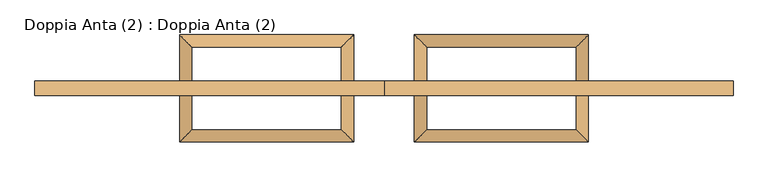
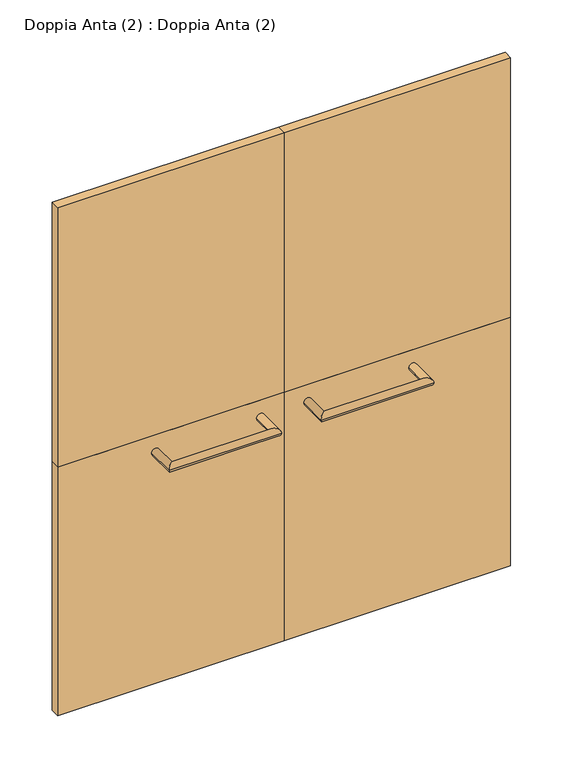
"""IFC4 building model written with IfcOpenShell, lengths in millimetres: door geometry, Doppia Anta (2) : Doppia Anta (2)."""

import ifcopenshell
import ifcopenshell.guid

model = None  # the IFC model being written
_history = None  # IfcOwnerHistory: only IFC2X3 demands one
_inside = {}  # id of a spatial element -> (the spatial element, [elements in it])
_under = {}  # id of a project, library or spatial element -> (it, [spatial elements below it])
_declared = {}  # id of a project -> (the project, [libraries it declares])
_typed = {}  # id of a type object -> (the type object, [elements of that type])
_made_of = {}  # id of a material, layer set ... -> (it, [elements and type objects made of it])


def new_model(schema):
    """Start an empty IFC model of exactly this schema.

    Asked for "IFC4X3", IfcOpenShell would pick the latest addendum, in which some entities
    have other attributes; the version numbers below select the first issue.
    IFC2X3 requires an IfcOwnerHistory on every rooted entity: one is made here for all.
    """
    global model, _history
    if schema == "IFC4X3":
        model = ifcopenshell.file(schema_version=(4, 3, 0, 0))
    else:
        model = ifcopenshell.file(schema=schema)
    _inside.clear()
    _under.clear()
    _declared.clear()
    _typed.clear()
    _made_of.clear()
    _history = None
    if model.schema == "IFC2X3":
        org = make("IfcOrganization", Name="unknown")
        user = make(
            "IfcPersonAndOrganization",
            ThePerson=make("IfcPerson", FamilyName="unknown"),
            TheOrganization=org,
        )
        app = make(
            "IfcApplication",
            ApplicationDeveloper=org,
            Version="unknown",
            ApplicationFullName="unknown",
            ApplicationIdentifier="unknown",
        )
        _history = make(
            "IfcOwnerHistory",
            OwningUser=user,
            OwningApplication=app,
            ChangeAction="ADDED",
            CreationDate=0,
        )
    return model


def make(cls, **values):
    """One entity of the class cls with the attributes given. An attribute that is None is left unset."""
    return model.create_entity(
        cls, **{name: value for name, value in values.items() if value is not None}
    )


def rooted(cls, **values):
    """An entity with a GlobalId (a new one), such as an element, a storey or a relation."""
    return make(cls, GlobalId=ifcopenshell.guid.new(), OwnerHistory=_history, **values)


def si_unit(unit_type, name, prefix=None):
    """IfcSIUnit, for example si_unit("LENGTHUNIT", "METRE", prefix="MILLI")."""
    return make("IfcSIUnit", UnitType=unit_type, Prefix=prefix, Name=name)


def assignment(units):
    """IfcUnitAssignment: the units of a project."""
    return None if units is None else make("IfcUnitAssignment", Units=units)


def point(xyz):
    """IfcCartesianPoint."""
    return None if xyz is None else make("IfcCartesianPoint", Coordinates=xyz)


def direction(xyz):
    """IfcDirection."""
    return None if xyz is None else make("IfcDirection", DirectionRatios=xyz)


def frame(location, z_axis=None, x_axis=None):
    """IfcAxis2Placement3D, a coordinate frame: its origin and axes. An axis left out is left unset."""
    return make(
        "IfcAxis2Placement3D",
        Location=point(location),
        Axis=direction(z_axis),
        RefDirection=direction(x_axis),
    )


def origin():
    """The frame at (0, 0, 0) with its axes left unset."""
    return frame((0.0, 0.0, 0.0))


def origin_with_axes():
    """The frame at (0, 0, 0) with the z axis (0, 0, 1) and the x axis (1, 0, 0) written out."""
    return frame((0.0, 0.0, 0.0), z_axis=(0.0, 0.0, 1.0), x_axis=(1.0, 0.0, 0.0))


def place(relative_to, where):
    """IfcLocalPlacement: puts the frame where relative to a parent placement (None: the world)."""
    return make(
        "IfcLocalPlacement", PlacementRelTo=relative_to, RelativePlacement=where
    )


def context(
    kind, dimensions, precision=None, world=None, true_north=None, identifier=None
):
    """IfcGeometricRepresentationContext, for example the 3D "Model" context."""
    return make(
        "IfcGeometricRepresentationContext",
        ContextIdentifier=identifier,
        ContextType=kind,
        CoordinateSpaceDimension=dimensions,
        Precision=precision,
        WorldCoordinateSystem=world,
        TrueNorth=true_north,
    )


def project(units=None, contexts=None):
    """IfcProject with its units and contexts."""
    return rooted(
        "IfcProject",
        Name="project",
        RepresentationContexts=contexts,
        UnitsInContext=assignment(units),
    )


def spatial(cls, under=None, at=None, **own):
    """A site, building, storey or space (cls), placed at a placement, below another one or the project."""
    s = rooted(cls, ObjectPlacement=at, **own)
    if under is not None:
        _under.setdefault(under.id(), (under, []))[1].append(s)
    return s


def polyline(points):
    """IfcPolyline through the points."""
    return make("IfcPolyline", Points=[point(p) for p in points])


def circle_curve(where, radius):
    """IfcCircle in the frame where."""
    return make("IfcCircle", Position=where, Radius=radius)


def ellipse_curve(where, semi_axis1, semi_axis2):
    """IfcEllipse in the frame where."""
    return make(
        "IfcEllipse", Position=where, SemiAxis1=semi_axis1, SemiAxis2=semi_axis2
    )


def outline(outer, holes=None, kind="AREA"):
    """IfcArbitraryClosedProfileDef: a profile drawn as a closed curve; with holes, ...WithVoids."""
    if holes is None:
        return make("IfcArbitraryClosedProfileDef", ProfileType=kind, OuterCurve=outer)
    return make(
        "IfcArbitraryProfileDefWithVoids",
        ProfileType=kind,
        OuterCurve=outer,
        InnerCurves=holes,
    )


def extrude(swept, where, along, depth):
    """IfcExtrudedAreaSolid: the profile swept, set in the frame where, extruded along a direction by depth."""
    return make(
        "IfcExtrudedAreaSolid",
        SweptArea=swept,
        Position=where,
        ExtrudedDirection=direction(along),
        Depth=depth,
    )


def shape(context_of_items, identifier, shape_type, items):
    """IfcShapeRepresentation: the items that make up one representation, for example the "Body"."""
    return make(
        "IfcShapeRepresentation",
        ContextOfItems=context_of_items,
        RepresentationIdentifier=identifier,
        RepresentationType=shape_type,
        Items=items,
    )


def source(mapping_origin, context_of_items, identifier, shape_type, items):
    """IfcRepresentationMap: a shape defined once, which mapped items show again and again."""
    return make(
        "IfcRepresentationMap",
        MappingOrigin=mapping_origin,
        MappedRepresentation=shape(context_of_items, identifier, shape_type, items),
    )


def transform(
    local_origin,
    x_axis=None,
    y_axis=None,
    z_axis=None,
    scale=None,
    scale2=None,
    scale3=None,
    uniform=True,
):
    """IfcCartesianTransformationOperator3D, or its non-uniform kind. x_axis, y_axis, z_axis: its Axis1, 2, 3."""
    if uniform:
        return make(
            "IfcCartesianTransformationOperator3D",
            Axis1=direction(x_axis),
            Axis2=direction(y_axis),
            LocalOrigin=point(local_origin),
            Scale=scale,
            Axis3=direction(z_axis),
        )
    return make(
        "IfcCartesianTransformationOperator3DnonUniform",
        Axis1=direction(x_axis),
        Axis2=direction(y_axis),
        LocalOrigin=point(local_origin),
        Scale=scale,
        Axis3=direction(z_axis),
        Scale2=scale2,
        Scale3=scale3,
    )


def mapped(mapping_source, mapping_target):
    """IfcMappedItem: shows the shape of a source again, moved by a transform."""
    return make(
        "IfcMappedItem", MappingSource=mapping_source, MappingTarget=mapping_target
    )


def made_of(thing, what):
    """Note that an element or type object is made of a material, layer set ...; save() writes the relation."""
    if what is not None:
        _made_of.setdefault(what.id(), (what, []))[1].append(thing)
    return thing


def element(
    cls,
    number,
    at=None,
    inside=None,
    cuts=None,
    type_object=None,
    material=None,
    context=None,
    identifier="Body",
    shape_type=None,
    held_by="IfcProductDefinitionShape",
    body=None,
    shapes=None,
    **own,
):
    """One element of the class cls, such as IfcWall. Its Tag is "e" and its number.

    at: its placement. inside: the storey or other place that contains it. cuts: it is an
    opening in that element (IfcRelVoidsElement). A single representation is given by context,
    identifier, shape_type and body (its items); several are given by shapes. held_by: the class
    of the entity that holds the representations. save() writes the other relations.
    """
    e = rooted(cls, Tag="e%d" % number, ObjectPlacement=at, **own)
    if body is not None:
        shapes = [shape(context, identifier, shape_type, body)]
    if shapes is not None:
        e.Representation = make(held_by, Representations=shapes)
    if inside is not None:
        _inside.setdefault(inside.id(), (inside, []))[1].append(e)
    if cuts is not None:
        rooted(
            "IfcRelVoidsElement", RelatingBuildingElement=cuts, RelatedOpeningElement=e
        )
    if type_object is not None:
        _typed.setdefault(type_object.id(), (type_object, []))[1].append(e)
    return made_of(e, material)


def aggregate(whole, parts):
    """IfcRelAggregates: a whole, such as a stair, and the parts it consists of."""
    return rooted("IfcRelAggregates", RelatingObject=whole, RelatedObjects=parts)


def save(model, path):
    """Write the relations noted so far, then the file.

    IfcRelAggregates (storeys below a building ...), IfcRelContainedInSpatialStructure (elements
    in a storey), IfcRelDefinesByType, IfcRelAssociatesMaterial and IfcRelDeclares: one each for
    every whole, place, type object, material and project.
    """
    for whole, parts in _under.values():
        aggregate(whole, parts)
    for where, things in _inside.values():
        rooted(
            "IfcRelContainedInSpatialStructure",
            RelatedElements=things,
            RelatingStructure=where,
        )
    for kind, things in _typed.values():
        rooted("IfcRelDefinesByType", RelatedObjects=things, RelatingType=kind)
    for what, things in _made_of.values():
        rooted("IfcRelAssociatesMaterial", RelatedObjects=things, RelatingMaterial=what)
    for by, libraries in _declared.values():
        rooted("IfcRelDeclares", RelatingContext=by, RelatedDefinitions=libraries)
    model.write(path)


def plane_surface(at):
    """IfcPlane: the flat surface through the origin of the frame at, square to its z axis."""
    return make("IfcPlane", Position=at)


def cylinder_surface(at, radius):
    """IfcCylindricalSurface: all points at the distance radius from the z axis of the frame at."""
    return make("IfcCylindricalSurface", Position=at, Radius=radius)


def advanced_brep(points, edges, surfaces, faces):
    """IfcAdvancedBrep: a solid bounded by faces that lie on surfaces and meet in shared edges.

    An edge is (start, end): straight between two places in points (the first is 0);
    or (start, end, curve); or (start, end, curve, False) where it runs against its curve.
    A face is (place in surfaces, loops), or (place, loops, False) where it looks against
    its surface's normal. A loop lists edges by number (the first is 1), with a minus sign
    where the edge is run from its end to its start. The first loop is the outer one.
    """
    corners = [point(p) for p in points]
    vertices = [make("IfcVertexPoint", VertexGeometry=c) for c in corners]
    made = []
    for start, end, *more in edges:
        made.append(
            make(
                "IfcEdgeCurve",
                EdgeStart=vertices[start],
                EdgeEnd=vertices[end],
                EdgeGeometry=more[0] if more else make("IfcPolyline", Points=[corners[start], corners[end]]),
                SameSense=more[1] if len(more) > 1 else True,
            )
        )
    hull = []
    for where, loops, *sense in faces:
        bounds = []
        for j, loop in enumerate(loops):
            ring = [make("IfcOrientedEdge", EdgeElement=made[abs(k) - 1], Orientation=k > 0) for k in loop]
            bounds.append(
                make(
                    "IfcFaceOuterBound" if j == 0 else "IfcFaceBound",
                    Bound=make("IfcEdgeLoop", EdgeList=ring),
                    Orientation=True,
                )
            )
        hull.append(make("IfcAdvancedFace", Bounds=bounds, FaceSurface=surfaces[where], SameSense=sense[0] if sense else True))
    return make("IfcAdvancedBrep", Outer=make("IfcClosedShell", CfsFaces=hull))


def doppia_anta_2_doppia_anta_2_77f07ed7(model_context):
    return source(origin(), model_context, "Body", "SolidModel", [
        extrude(outline(polyline([(0.0, -17.5), (-862.5000002, -17.5), (-862.5000002, 17.5), (0.0, 17.5), (0.0, -17.5)])), origin_with_axes(), (0.0, 0.0, 1.0), 1000.0),
        extrude(outline(polyline([(0.0, -17.5), (-862.5000002, -17.5), (-862.5000002, 17.5), (0.0, 17.5), (0.0, -17.5)])), frame((0.0, 0.0, 1000.0), z_axis=(0.0, 0.0, 1.0), x_axis=(1.0, 0.0, 0.0)), (0.0, 0.0, 1.0), 1045.0),
        extrude(outline(polyline([(862.5000002, -17.5), (0.0, -17.5), (0.0, 17.5), (862.5000002, 17.5), (862.5000002, -17.5)])), frame((0.0, 0.0, 1000.0), z_axis=(0.0, 0.0, 1.0), x_axis=(1.0, 0.0, 0.0)), (0.0, 0.0, 1.0), 1045.0),
        extrude(outline(polyline([(862.5000002, -17.5), (0.0, -17.5), (0.0, 17.5), (862.5000002, 17.5), (862.5000002, -17.5)])), origin_with_axes(), (0.0, 0.0, 1.0), 1000.0),
        advanced_brep(
        [(75.08, -17.5, 931.6623818), (105.08, -17.5, 931.6623818), (75.08, -132.5, 931.6623818), (105.08, -102.5, 931.6623818), (505.08, -132.5, 931.6623818), (475.08, -102.5, 931.6623818), (505.08, -17.5, 931.6623818), (475.08, -17.5, 931.6623818)],
        [
            (0, 1, circle_curve(frame((90.08, -17.5, 931.6623818), z_axis=(0.0, 1.0, 0.0), x_axis=(1.0, 0.0, 0.0)), 15.0)),
            (1, 0, circle_curve(frame((90.08, -17.5, 931.6623818), z_axis=(0.0, 1.0, 0.0), x_axis=(1.0, 0.0, 0.0)), 15.0)),
            (0, 2),
            (2, 3, ellipse_curve(frame((90.08, -117.5, 931.6623818), z_axis=(-0.7071067811865475, 0.7071067811865475, 0.0), x_axis=(0.7071067811865474, 0.7071067811865476, 0.0)), 21.2132034, 15.0)),
            (3, 1),
            (3, 2, ellipse_curve(frame((90.08, -117.5, 931.6623818), z_axis=(-0.7071067811865475, 0.7071067811865475, 0.0), x_axis=(0.7071067811865474, 0.7071067811865476, 0.0)), 21.2132034, 15.0)),
            (2, 4),
            (4, 5, ellipse_curve(frame((490.08, -117.5, 931.6623818), z_axis=(-0.7071067811865475, -0.7071067811865475, 0.0), x_axis=(-0.7071067811865476, 0.7071067811865474, 0.0)), 21.2132034, 15.0)),
            (5, 3),
            (5, 4, ellipse_curve(frame((490.08, -117.5, 931.6623818), z_axis=(-0.7071067811865475, -0.7071067811865475, 0.0), x_axis=(-0.7071067811865476, 0.7071067811865474, 0.0)), 21.2132034, 15.0)),
            (6, 7, circle_curve(frame((490.08, -17.5, 931.6623818), z_axis=(0.0, 1.0, 0.0), x_axis=(-1.0, 0.0, 0.0)), 15.0)),
            (7, 6, circle_curve(frame((490.08, -17.5, 931.6623818), z_axis=(0.0, 1.0, 0.0), x_axis=(-1.0, 0.0, 0.0)), 15.0)),
            (4, 6),
            (7, 5),
        ],
        [
            plane_surface(frame((90.08, -17.5, 931.6623818), z_axis=(0.0, 1.0, 0.0), x_axis=(0.0, 0.0, 1.0))),
            cylinder_surface(frame((90.08, -17.5, 931.6623818), z_axis=(0.0, 1.0, 0.0), x_axis=(1.0, 0.0, 0.0)), 15.0),
            cylinder_surface(frame((90.08, -117.5, 931.6623818), z_axis=(-1.0, 0.0, 0.0), x_axis=(0.0, 1.0, 0.0)), 15.0),
            plane_surface(frame((490.08, -17.5, 931.6623818), z_axis=(0.0, 1.0, 0.0), x_axis=(0.0, 0.0, 1.0))),
            cylinder_surface(frame((490.08, -117.5, 931.6623818), z_axis=(0.0, -1.0, 0.0), x_axis=(-1.0, 0.0, 0.0)), 15.0),
        ],
        [
            (0, [[1, 2]]),
            (1, [[-1, 3, 4, 5]]),
            (1, [[-2, -5, 6, -3]]),
            (2, [[-4, 7, 8, 9]]),
            (2, [[-6, -9, 10, -7]]),
            (3, [[11, 12]]),
            (4, [[-8, 13, -12, 14]]),
            (4, [[-10, -14, -11, -13]]),
        ],
    ),
        advanced_brep(
        [(-505.0798099, -17.5, 931.6623818), (-475.0798099, -17.5, 931.6623818), (-505.0798099, -132.5, 931.6623818), (-475.0798099, -102.5, 931.6623818), (-75.0798099, -132.5, 931.6623818), (-105.0798099, -102.5, 931.6623818), (-75.0798099, -17.5, 931.6623818), (-105.0798099, -17.5, 931.6623818)],
        [
            (0, 1, circle_curve(frame((-490.0798099, -17.5, 931.6623818), z_axis=(0.0, 1.0, 0.0), x_axis=(1.0, 0.0, 0.0)), 15.0)),
            (1, 0, circle_curve(frame((-490.0798099, -17.5, 931.6623818), z_axis=(0.0, 1.0, 0.0), x_axis=(1.0, 0.0, 0.0)), 15.0)),
            (0, 2),
            (2, 3, ellipse_curve(frame((-490.0798099, -117.5, 931.6623818), z_axis=(-0.7071067811865475, 0.7071067811865475, 0.0), x_axis=(0.7071067811865474, 0.7071067811865476, 0.0)), 21.2132034, 15.0)),
            (3, 1),
            (3, 2, ellipse_curve(frame((-490.0798099, -117.5, 931.6623818), z_axis=(-0.7071067811865475, 0.7071067811865475, 0.0), x_axis=(0.7071067811865474, 0.7071067811865476, 0.0)), 21.2132034, 15.0)),
            (2, 4),
            (4, 5, ellipse_curve(frame((-90.0798099, -117.5, 931.6623818), z_axis=(-0.7071067811865475, -0.7071067811865475, 0.0), x_axis=(-0.7071067811865476, 0.7071067811865474, 0.0)), 21.2132034, 15.0)),
            (5, 3),
            (5, 4, ellipse_curve(frame((-90.0798099, -117.5, 931.6623818), z_axis=(-0.7071067811865475, -0.7071067811865475, 0.0), x_axis=(-0.7071067811865476, 0.7071067811865474, 0.0)), 21.2132034, 15.0)),
            (6, 7, circle_curve(frame((-90.0798099, -17.5, 931.6623818), z_axis=(0.0, 1.0, 0.0), x_axis=(-1.0, 0.0, 0.0)), 15.0)),
            (7, 6, circle_curve(frame((-90.0798099, -17.5, 931.6623818), z_axis=(0.0, 1.0, 0.0), x_axis=(-1.0, 0.0, 0.0)), 15.0)),
            (4, 6),
            (7, 5),
        ],
        [
            plane_surface(frame((-490.0798099, -17.5, 931.6623818), z_axis=(0.0, 1.0, 0.0), x_axis=(0.0, 0.0, 1.0))),
            cylinder_surface(frame((-490.0798099, -17.5, 931.6623818), z_axis=(0.0, 1.0, 0.0), x_axis=(1.0, 0.0, 0.0)), 15.0),
            cylinder_surface(frame((-490.0798099, -117.5, 931.6623818), z_axis=(-1.0, 0.0, 0.0), x_axis=(0.0, 1.0, 0.0)), 15.0),
            plane_surface(frame((-90.0798099, -17.5, 931.6623818), z_axis=(0.0, 1.0, 0.0), x_axis=(0.0, 0.0, 1.0))),
            cylinder_surface(frame((-90.0798099, -117.5, 931.6623818), z_axis=(0.0, -1.0, 0.0), x_axis=(-1.0, 0.0, 0.0)), 15.0),
        ],
        [
            (0, [[1, 2]]),
            (1, [[-1, 3, 4, 5]]),
            (1, [[-2, -5, 6, -3]]),
            (2, [[-4, 7, 8, 9]]),
            (2, [[-6, -9, 10, -7]]),
            (3, [[11, 12]]),
            (4, [[-8, 13, -12, 14]]),
            (4, [[-10, -14, -11, -13]]),
        ],
    ),
        advanced_brep(
        [(105.08, 17.5, 931.6623818), (75.08, 17.5, 931.6623818), (105.08, 102.5, 931.6623818), (75.08, 132.5, 931.6623818), (475.08, 102.5, 931.6623818), (505.08, 132.5, 931.6623818), (475.08, 17.5, 931.6623818), (505.08, 17.5, 931.6623818)],
        [
            (0, 1, circle_curve(frame((90.08, 17.5, 931.6623818), z_axis=(0.0, -1.0, 0.0), x_axis=(-1.0, 0.0, 0.0)), 15.0)),
            (1, 0, circle_curve(frame((90.08, 17.5, 931.6623818), z_axis=(0.0, -1.0, 0.0), x_axis=(-1.0, 0.0, 0.0)), 15.0)),
            (0, 2),
            (2, 3, ellipse_curve(frame((90.08, 117.5, 931.6623818), z_axis=(-0.7071067811865475, -0.7071067811865475, 0.0), x_axis=(0.7071067811865474, -0.7071067811865476, 0.0)), 21.2132034, 15.0)),
            (3, 1),
            (3, 2, ellipse_curve(frame((90.08, 117.5, 931.6623818), z_axis=(-0.7071067811865475, -0.7071067811865475, 0.0), x_axis=(0.7071067811865474, -0.7071067811865476, 0.0)), 21.2132034, 15.0)),
            (2, 4),
            (4, 5, ellipse_curve(frame((490.08, 117.5, 931.6623818), z_axis=(-0.7071067811865475, 0.7071067811865475, 0.0), x_axis=(-0.7071067811865476, -0.7071067811865474, 0.0)), 21.2132034, 15.0)),
            (5, 3),
            (5, 4, ellipse_curve(frame((490.08, 117.5, 931.6623818), z_axis=(-0.7071067811865475, 0.7071067811865475, 0.0), x_axis=(-0.7071067811865476, -0.7071067811865474, 0.0)), 21.2132034, 15.0)),
            (6, 7, circle_curve(frame((490.08, 17.5, 931.6623818), z_axis=(0.0, -1.0, 0.0), x_axis=(1.0, 0.0, 0.0)), 15.0)),
            (7, 6, circle_curve(frame((490.08, 17.5, 931.6623818), z_axis=(0.0, -1.0, 0.0), x_axis=(1.0, 0.0, 0.0)), 15.0)),
            (4, 6),
            (7, 5),
        ],
        [
            plane_surface(frame((90.08, 17.5, 931.6623818), z_axis=(0.0, -1.0, 0.0), x_axis=(0.0, 0.0, 1.0))),
            cylinder_surface(frame((90.08, 17.5, 931.6623818), z_axis=(0.0, -1.0, 0.0), x_axis=(-1.0, 0.0, 0.0)), 15.0),
            cylinder_surface(frame((90.08, 117.5, 931.6623818), z_axis=(-1.0, 0.0, 0.0), x_axis=(0.0, 1.0, 0.0)), 15.0),
            plane_surface(frame((490.08, 17.5, 931.6623818), z_axis=(0.0, -1.0, 0.0), x_axis=(0.0, 0.0, 1.0))),
            cylinder_surface(frame((490.08, 117.5, 931.6623818), z_axis=(0.0, 1.0, 0.0), x_axis=(1.0, 0.0, 0.0)), 15.0),
        ],
        [
            (0, [[1, 2]]),
            (1, [[-1, 3, 4, 5]]),
            (1, [[-2, -5, 6, -3]]),
            (2, [[-4, 7, 8, 9]]),
            (2, [[-6, -9, 10, -7]]),
            (3, [[11, 12]]),
            (4, [[-8, 13, -12, 14]]),
            (4, [[-10, -14, -11, -13]]),
        ],
    ),
        advanced_brep(
        [(-75.0798099, 17.5, 931.6623818), (-105.0798099, 17.5, 931.6623818), (-75.0798099, 132.5, 931.6623818), (-105.0798099, 102.5, 931.6623818), (-505.0798099, 132.5, 931.6623818), (-475.0798099, 102.5, 931.6623818), (-505.0798099, 17.5, 931.6623818), (-475.0798099, 17.5, 931.6623818)],
        [
            (0, 1, circle_curve(frame((-90.0798099, 17.5, 931.6623818), z_axis=(0.0, -1.0, 0.0), x_axis=(-1.0, 0.0, 0.0)), 15.0)),
            (1, 0, circle_curve(frame((-90.0798099, 17.5, 931.6623818), z_axis=(0.0, -1.0, 0.0), x_axis=(-1.0, 0.0, 0.0)), 15.0)),
            (0, 2),
            (2, 3, ellipse_curve(frame((-90.0798099, 117.5, 931.6623818), z_axis=(0.7071067811865475, -0.7071067811865475, 0.0), x_axis=(-0.7071067811865474, -0.7071067811865476, 0.0)), 21.2132034, 15.0)),
            (3, 1),
            (3, 2, ellipse_curve(frame((-90.0798099, 117.5, 931.6623818), z_axis=(0.7071067811865475, -0.7071067811865475, 0.0), x_axis=(-0.7071067811865474, -0.7071067811865476, 0.0)), 21.2132034, 15.0)),
            (2, 4),
            (4, 5, ellipse_curve(frame((-490.0798099, 117.5, 931.6623818), z_axis=(0.7071067811865475, 0.7071067811865475, 0.0), x_axis=(0.7071067811865476, -0.7071067811865474, 0.0)), 21.2132034, 15.0)),
            (5, 3),
            (5, 4, ellipse_curve(frame((-490.0798099, 117.5, 931.6623818), z_axis=(0.7071067811865475, 0.7071067811865475, 0.0), x_axis=(0.7071067811865476, -0.7071067811865474, 0.0)), 21.2132034, 15.0)),
            (6, 7, circle_curve(frame((-490.0798099, 17.5, 931.6623818), z_axis=(0.0, -1.0, 0.0), x_axis=(1.0, 0.0, 0.0)), 15.0)),
            (7, 6, circle_curve(frame((-490.0798099, 17.5, 931.6623818), z_axis=(0.0, -1.0, 0.0), x_axis=(1.0, 0.0, 0.0)), 15.0)),
            (4, 6),
            (7, 5),
        ],
        [
            plane_surface(frame((-90.0798099, 17.5, 931.6623818), z_axis=(0.0, -1.0, 0.0), x_axis=(0.0, 0.0, 1.0))),
            cylinder_surface(frame((-90.0798099, 17.5, 931.6623818), z_axis=(0.0, -1.0, 0.0), x_axis=(-1.0, 0.0, 0.0)), 15.0),
            cylinder_surface(frame((-90.0798099, 117.5, 931.6623818), z_axis=(1.0, 0.0, 0.0), x_axis=(0.0, -1.0, 0.0)), 15.0),
            plane_surface(frame((-490.0798099, 17.5, 931.6623818), z_axis=(0.0, -1.0, 0.0), x_axis=(0.0, 0.0, 1.0))),
            cylinder_surface(frame((-490.0798099, 117.5, 931.6623818), z_axis=(0.0, 1.0, 0.0), x_axis=(1.0, 0.0, 0.0)), 15.0),
        ],
        [
            (0, [[1, 2]]),
            (1, [[-1, 3, 4, 5]]),
            (1, [[-2, -5, 6, -3]]),
            (2, [[-4, 7, 8, 9]]),
            (2, [[-6, -9, 10, -7]]),
            (3, [[11, 12]]),
            (4, [[-8, 13, -12, 14]]),
            (4, [[-10, -14, -11, -13]]),
        ],
    ),
    ])


if __name__ == "__main__":
    model = new_model("IFC4")
    model_context = context("Model", 3, world=origin())
    ifc_project = project(units=[si_unit("LENGTHUNIT", "METRE", prefix="MILLI")], contexts=[model_context])
    site = spatial("IfcSite", under=ifc_project)
    building = spatial("IfcBuilding", under=site)
    placement = place(None, origin())
    doppia_anta_2_doppia_anta_2_shape = doppia_anta_2_doppia_anta_2_77f07ed7(model_context)
    element("IfcDoor", 1, ObjectType="Doppia Anta (2) : Doppia Anta (2)", at=placement, inside=building, context=model_context, shape_type="MappedRepresentation", body=[
        mapped(doppia_anta_2_doppia_anta_2_shape, transform((0.0, 0.0, 0.0), x_axis=(1.0, 0.0, 0.0), y_axis=(0.0, 1.0, 0.0), z_axis=(0.0, 0.0, 1.0))),
    ])
    save(model, "model.ifc")
